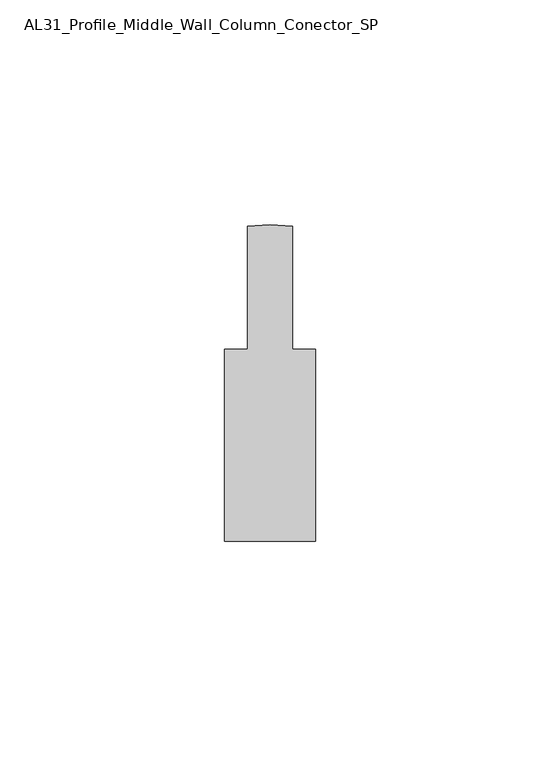
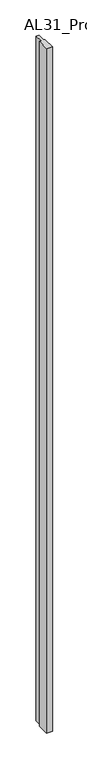
"""IFC4 building model written with IfcOpenShell, lengths in millimetres: member geometry, AL31_Profile_Middle_Wall_Column_Conector_SP."""

from ifc_helpers import new_model, si_unit, point, frame, frame_2d, origin, place, context, project, spatial, polyline, circle_curve, trimmed, segment, composite_curve, outline, extrude, source, transform, mapped, element, save


def al31_profile_middle_wall_column_conector_sp_97a4180e(model_context):
    return source(origin(), model_context, "Body", "SweptSolid", [
        extrude(outline(composite_curve([segment(polyline([(-10.0998979, -55.0499937), (-10.0998979, -12.3499946), (-4.9998991, -12.3499946), (-4.9998991, 15.0180889)]), True, "CONTINUOUS"), segment(trimmed(circle_curve(frame_2d((0.0116092, -22.6499982)), 38.0), [point((-4.9998991, 15.0180889))], [point((5.0001009, 15.0211439))], False, "CARTESIAN"), True, "CONTINUOUS"), segment(polyline([(5.0001009, 15.0211439), (5.0001009, -12.3499946), (10.1001021, -12.3499946), (10.1001021, -55.0499937), (-10.0998979, -55.0499937)]), True, "CONTINUOUS")], self_intersect=False)), frame((0.0, 0.0, -2500.0), z_axis=(0.0, 0.0, 1.0), x_axis=(1.0, 0.0, 0.0)), (0.0, 0.0, 1.0), 2500.0),
    ])


if __name__ == "__main__":
    model = new_model("IFC4")
    model_context = context("Model", 3, world=origin())
    ifc_project = project(units=[si_unit("LENGTHUNIT", "METRE", prefix="MILLI")], contexts=[model_context])
    site = spatial("IfcSite", under=ifc_project)
    building = spatial("IfcBuilding", under=site)
    placement = place(None, origin())
    al31_profile_middle_wall_column_conector_sp_shape = al31_profile_middle_wall_column_conector_sp_97a4180e(model_context)
    element("IfcMember", 1, ObjectType="AL31_Profile_Middle_Wall_Column_Conector_SP", at=placement, inside=building, context=model_context, shape_type="MappedRepresentation", body=[
        mapped(al31_profile_middle_wall_column_conector_sp_shape, transform((0.0, 0.0, 0.0), x_axis=(1.0, 0.0, 0.0), y_axis=(0.0, 1.0, 0.0), z_axis=(0.0, 0.0, 1.0))),
    ])
    save(model, "model.ifc")
